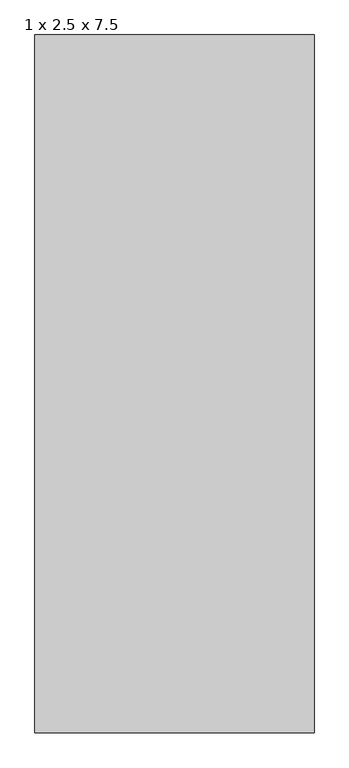
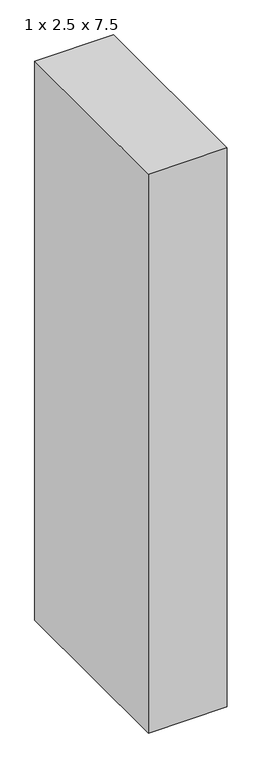
"""IFC4 building model written with IfcOpenShell, lengths in millimetres: proxy geometry, 1 x 2.5 x 7.5."""

from ifc_helpers import new_model, si_unit, origin, origin_with_axes, place, context, project, spatial, polyline, outline, extrude, source, transform, mapped, element, save


def proxy_1_x_2_5_x_7_5_cb5ff704(model_context):
    return source(origin(), model_context, "Body", "SweptSolid", [
        extrude(outline(polyline([(1000.0, 2500.0), (1000.0, 0.0), (0.0, 0.0), (0.0, 2500.0), (1000.0, 2500.0)])), origin_with_axes(), (0.0, 0.0, 1.0), 7500.0),
    ])


if __name__ == "__main__":
    model = new_model("IFC4")
    model_context = context("Model", 3, world=origin())
    ifc_project = project(units=[si_unit("LENGTHUNIT", "METRE", prefix="MILLI")], contexts=[model_context])
    site = spatial("IfcSite", under=ifc_project)
    building = spatial("IfcBuilding", under=site)
    placement = place(None, origin())
    proxy_1_x_2_5_x_7_5_shape = proxy_1_x_2_5_x_7_5_cb5ff704(model_context)
    element("IfcBuildingElementProxy", 1, Name="1 x 2.5 x 7.5", ObjectType="1 x 2.5 x 7.5", at=placement, inside=building, context=model_context, shape_type="MappedRepresentation", body=[
        mapped(proxy_1_x_2_5_x_7_5_shape, transform((0.0, 0.0, 0.0), x_axis=(1.0, 0.0, 0.0), y_axis=(0.0, 1.0, 0.0), z_axis=(0.0, 0.0, 1.0))),
    ])
    save(model, "model.ifc")
